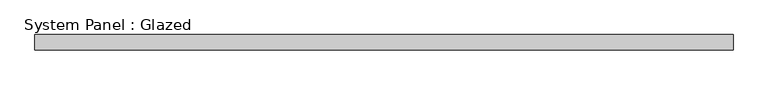
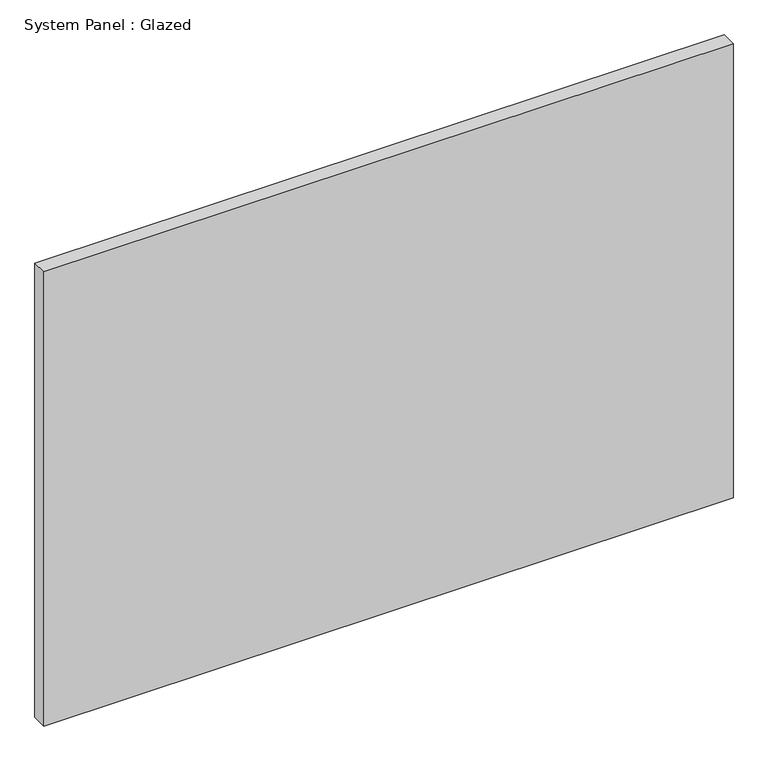
"""IFC4 building model written with IfcOpenShell, lengths in millimetres: plate geometry, System Panel : Glazed."""

from ifc_helpers import new_model, si_unit, origin, origin_with_axes, place, context, project, spatial, polyline, outline, extrude, source, transform, mapped, element, save


def system_panel_glazed_d870d314(model_context):
    return source(origin(), model_context, "Body", "SweptSolid", [
        extrude(outline(polyline([(577.775, -44.45), (-577.775, -44.45), (-577.775, -19.05), (577.775, -19.05), (577.775, -44.45)])), origin_with_axes(), (0.0, 0.0, 1.0), 804.75),
    ])


if __name__ == "__main__":
    model = new_model("IFC4")
    model_context = context("Model", 3, world=origin())
    ifc_project = project(units=[si_unit("LENGTHUNIT", "METRE", prefix="MILLI")], contexts=[model_context])
    site = spatial("IfcSite", under=ifc_project)
    building = spatial("IfcBuilding", under=site)
    placement = place(None, origin())
    system_panel_glazed_shape = system_panel_glazed_d870d314(model_context)
    element("IfcPlate", 1, ObjectType="System Panel : Glazed", at=placement, inside=building, context=model_context, shape_type="MappedRepresentation", body=[
        mapped(system_panel_glazed_shape, transform((0.0, 0.0, 0.0), x_axis=(1.0, 0.0, 0.0), y_axis=(0.0, 1.0, 0.0), z_axis=(0.0, 0.0, 1.0))),
    ])
    save(model, "model.ifc")
